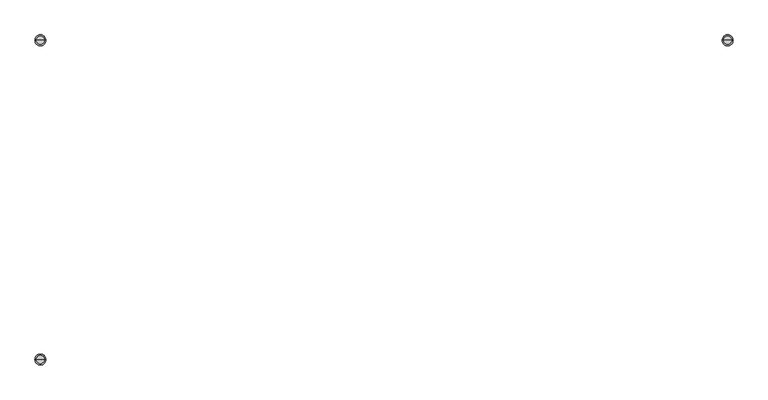
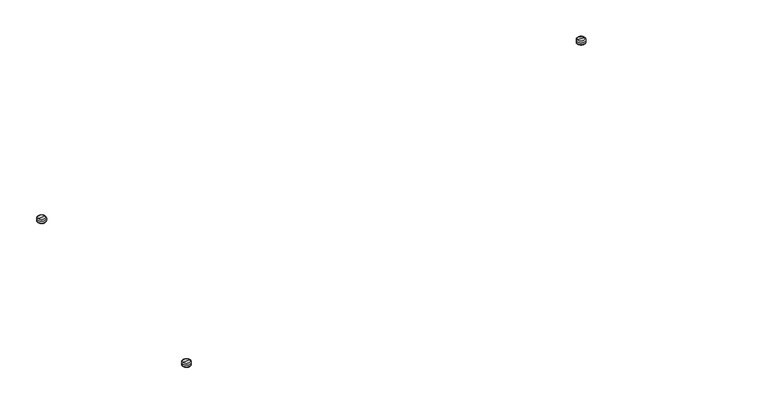
"""IFC4 building model written with IfcOpenShell, lengths in millimetres: furniture geometry."""

from ifc_helpers import new_model, si_unit, point, frame, origin, place, context, project, spatial, circle_curve, ellipse_curve, trimmed, source, transform, mapped, element, save
from ifc_brep_helpers import plane_surface, cylinder_surface, revolved_surface, advanced_brep


def furniture_f5563ff2(model_context):
    return source(origin(), model_context, "Body", "AdvancedBrep", [
        advanced_brep(
        [(-612.7826546, -332.5826887, 9.525), (-605.4760884, -332.5826887, 9.525), (-620.0892207, -332.5826887, 9.525), (-603.0620996, -332.5826887, 7.1110112), (-622.5032095, -332.5826887, 7.1110112), (-603.0620996, -332.5826887, 2.54), (-622.5032095, -332.5826887, 2.54), (-605.6020996, -332.5826887, 0.0), (-619.9632095, -332.5826887, 0.0), (-612.7826546, -332.5826887, 0.0)],
        [
            (0, 1),
            (1, 2, circle_curve(frame((-612.7826546, -332.5826887, 9.525), z_axis=(0.0, 0.0, 1.0), x_axis=(-1.0, 0.0, 0.0)), 7.3065662)),
            (2, 0),
            (2, 1, circle_curve(frame((-612.7826546, -332.5826887, 9.525), z_axis=(0.0, 0.0, 1.0), x_axis=(-1.0, 0.0, 0.0)), 7.3065662)),
            (1, 3, circle_curve(frame((-605.4760884, -332.5826887, 7.1110112), z_axis=(0.0, 1.0, 0.0), x_axis=(-1.0, 0.0, 0.0)), 2.4139888)),
            (3, 4, circle_curve(frame((-612.7826546, -332.5826887, 7.1110112), z_axis=(0.0, 0.0, 1.0), x_axis=(-1.0, 0.0, 0.0)), 9.7205549)),
            (4, 2, circle_curve(frame((-620.0892207, -332.5826887, 7.1110112), z_axis=(0.0, 1.0, 0.0), x_axis=(1.0, 0.0, 0.0)), 2.4139888)),
            (4, 3, circle_curve(frame((-612.7826546, -332.5826887, 7.1110112), z_axis=(0.0, 0.0, 1.0), x_axis=(-1.0, 0.0, 0.0)), 9.7205549)),
            (3, 5),
            (5, 6, circle_curve(frame((-612.7826546, -332.5826887, 2.54), z_axis=(0.0, 0.0, 1.0), x_axis=(-1.0, 0.0, 0.0)), 9.7205549)),
            (6, 4),
            (6, 5, circle_curve(frame((-612.7826546, -332.5826887, 2.54), z_axis=(0.0, 0.0, 1.0), x_axis=(-1.0, 0.0, 0.0)), 9.7205549)),
            (5, 7, circle_curve(frame((-605.6020996, -332.5826887, 2.54), z_axis=(0.0, 1.0, 0.0), x_axis=(-1.0, 0.0, 0.0)), 2.54)),
            (7, 8, circle_curve(frame((-612.7826546, -332.5826887, 0.0), z_axis=(0.0, 0.0, 1.0), x_axis=(-1.0, 0.0, 0.0)), 7.1805549)),
            (8, 6, circle_curve(frame((-619.9632095, -332.5826887, 2.54), z_axis=(0.0, 1.0, 0.0), x_axis=(1.0, 0.0, 0.0)), 2.54)),
            (8, 7, circle_curve(frame((-612.7826546, -332.5826887, 0.0), z_axis=(0.0, 0.0, 1.0), x_axis=(-1.0, 0.0, 0.0)), 7.1805549)),
            (7, 9),
            (9, 8),
        ],
        [
            plane_surface(frame((-612.7826546, -332.5826887, 9.525), z_axis=(0.0, 0.0, 1.0), x_axis=(-1.0, 0.0, 0.0))),
            revolved_surface(trimmed(ellipse_curve(frame((-620.0892207, -332.5826887, 7.1110112), z_axis=(0.0, 1.0, 0.0), x_axis=(1.0, 0.0, 0.0)), 2.4139888, 2.4139888), [point((-622.5032095, -332.5826887, 7.1110112))], [point((-620.0892207, -332.5826887, 9.525))], True, "CARTESIAN"), (-612.7826546, -332.5826887, 9.3770739), (0.0, 0.0, 1.0)),
            cylinder_surface(frame((-612.7826546, -332.5826887, 9.3770739), z_axis=(0.0, 0.0, 1.0), x_axis=(-1.0, 0.0, 0.0)), 9.7205549),
            revolved_surface(trimmed(ellipse_curve(frame((-619.9632095, -332.5826887, 2.54), z_axis=(0.0, 1.0, 0.0), x_axis=(1.0, 0.0, 0.0)), 2.54, 2.54), [point((-619.9632095, -332.5826887, 0.0))], [point((-622.5032095, -332.5826887, 2.54))], True, "CARTESIAN"), (-612.7826546, -332.5826887, 9.3770739), (0.0, 0.0, 1.0)),
            plane_surface(frame((-612.7826546, -332.5826887, 0.0), z_axis=(0.0, 0.0, -1.0), x_axis=(-1.0, 0.0, 0.0))),
        ],
        [
            (0, [[1, 2, 3]]),
            (0, [[-3, 4, -1]]),
            (1, [[5, 6, 7, -2]]),
            (1, [[-7, 8, -5, -4]]),
            (2, [[9, 10, 11, -6]]),
            (2, [[-11, 12, -9, -8]]),
            (3, [[13, 14, 15, -10]]),
            (3, [[-15, 16, -13, -12]]),
            (4, [[17, 18, -14]]),
            (4, [[-18, -17, -16]]),
        ],
    ),
        advanced_brep(
        [(612.7826546, 237.3326887, 9.525), (605.4760884, 237.3326887, 9.525), (620.0892207, 237.3326887, 9.525), (603.0620996, 237.3326887, 7.1110112), (622.5032095, 237.3326887, 7.1110112), (603.0620996, 237.3326887, 2.54), (622.5032095, 237.3326887, 2.54), (605.6020996, 237.3326887, 0.0), (619.9632095, 237.3326887, 0.0), (612.7826546, 237.3326887, 0.0)],
        [
            (0, 1),
            (1, 2, circle_curve(frame((612.7826546, 237.3326887, 9.525), z_axis=(0.0, 0.0, 1.0), x_axis=(1.0, 0.0, 0.0)), 7.3065662)),
            (2, 0),
            (2, 1, circle_curve(frame((612.7826546, 237.3326887, 9.525), z_axis=(0.0, 0.0, 1.0), x_axis=(1.0, 0.0, 0.0)), 7.3065662)),
            (1, 3, circle_curve(frame((605.4760884, 237.3326887, 7.1110112), z_axis=(0.0, -1.0, 0.0), x_axis=(1.0, 0.0, 0.0)), 2.4139888)),
            (3, 4, circle_curve(frame((612.7826546, 237.3326887, 7.1110112), z_axis=(0.0, 0.0, 1.0), x_axis=(1.0, 0.0, 0.0)), 9.7205549)),
            (4, 2, circle_curve(frame((620.0892207, 237.3326887, 7.1110112), z_axis=(0.0, -1.0, 0.0), x_axis=(-1.0, 0.0, 0.0)), 2.4139888)),
            (4, 3, circle_curve(frame((612.7826546, 237.3326887, 7.1110112), z_axis=(0.0, 0.0, 1.0), x_axis=(1.0, 0.0, 0.0)), 9.7205549)),
            (3, 5),
            (5, 6, circle_curve(frame((612.7826546, 237.3326887, 2.54), z_axis=(0.0, 0.0, 1.0), x_axis=(1.0, 0.0, 0.0)), 9.7205549)),
            (6, 4),
            (6, 5, circle_curve(frame((612.7826546, 237.3326887, 2.54), z_axis=(0.0, 0.0, 1.0), x_axis=(1.0, 0.0, 0.0)), 9.7205549)),
            (5, 7, circle_curve(frame((605.6020996, 237.3326887, 2.54), z_axis=(0.0, -1.0, 0.0), x_axis=(1.0, 0.0, 0.0)), 2.54)),
            (7, 8, circle_curve(frame((612.7826546, 237.3326887, 0.0), z_axis=(0.0, 0.0, 1.0), x_axis=(1.0, 0.0, 0.0)), 7.1805549)),
            (8, 6, circle_curve(frame((619.9632095, 237.3326887, 2.54), z_axis=(0.0, -1.0, 0.0), x_axis=(-1.0, 0.0, 0.0)), 2.54)),
            (8, 7, circle_curve(frame((612.7826546, 237.3326887, 0.0), z_axis=(0.0, 0.0, 1.0), x_axis=(1.0, 0.0, 0.0)), 7.1805549)),
            (7, 9),
            (9, 8),
        ],
        [
            plane_surface(frame((612.7826546, 237.3326887, 9.525), z_axis=(0.0, 0.0, 1.0), x_axis=(1.0, 0.0, 0.0))),
            revolved_surface(trimmed(ellipse_curve(frame((620.0892207, 237.3326887, 7.1110112), z_axis=(0.0, -1.0, 0.0), x_axis=(-1.0, 0.0, 0.0)), 2.4139888, 2.4139888), [point((622.5032095, 237.3326887, 7.1110112))], [point((620.0892207, 237.3326887, 9.525))], True, "CARTESIAN"), (612.7826546, 237.3326887, 9.3770739), (0.0, 0.0, 1.0)),
            cylinder_surface(frame((612.7826546, 237.3326887, 9.3770739), z_axis=(0.0, 0.0, 1.0), x_axis=(1.0, 0.0, 0.0)), 9.7205549),
            revolved_surface(trimmed(ellipse_curve(frame((619.9632095, 237.3326887, 2.54), z_axis=(0.0, -1.0, 0.0), x_axis=(-1.0, 0.0, 0.0)), 2.54, 2.54), [point((619.9632095, 237.3326887, 0.0))], [point((622.5032095, 237.3326887, 2.54))], True, "CARTESIAN"), (612.7826546, 237.3326887, 9.3770739), (0.0, 0.0, 1.0)),
            plane_surface(frame((612.7826546, 237.3326887, 0.0), z_axis=(0.0, 0.0, -1.0), x_axis=(1.0, 0.0, 0.0))),
        ],
        [
            (0, [[1, 2, 3]]),
            (0, [[-3, 4, -1]]),
            (1, [[5, 6, 7, -2]]),
            (1, [[-7, 8, -5, -4]]),
            (2, [[9, 10, 11, -6]]),
            (2, [[-11, 12, -9, -8]]),
            (3, [[13, 14, 15, -10]]),
            (3, [[-15, 16, -13, -12]]),
            (4, [[17, 18, -14]]),
            (4, [[-18, -17, -16]]),
        ],
    ),
        advanced_brep(
        [(-605.4760884, 237.3326887, 9.525), (-612.7826546, 237.3326887, 9.525), (-620.0892207, 237.3326887, 9.525), (-603.0620996, 237.3326887, 7.1110112), (-622.5032095, 237.3326887, 7.1110112), (-603.0620996, 237.3326887, 2.54), (-622.5032095, 237.3326887, 2.54), (-605.6020996, 237.3326887, 0.0), (-619.9632095, 237.3326887, 0.0), (-612.7826546, 237.3326887, 0.0)],
        [
            (0, 1),
            (1, 2),
            (2, 0, circle_curve(frame((-612.7826546, 237.3326887, 9.525), z_axis=(0.0, 0.0, 1.0), x_axis=(-1.0, 0.0, 0.0)), 7.3065662)),
            (0, 2, circle_curve(frame((-612.7826546, 237.3326887, 9.525), z_axis=(0.0, 0.0, 1.0), x_axis=(-1.0, 0.0, 0.0)), 7.3065662)),
            (3, 0, circle_curve(frame((-605.4760884, 237.3326887, 7.1110112), z_axis=(0.0, -1.0, 0.0), x_axis=(-1.0, 0.0, 0.0)), 2.4139888)),
            (2, 4, circle_curve(frame((-620.0892207, 237.3326887, 7.1110112), z_axis=(0.0, -1.0, 0.0), x_axis=(1.0, 0.0, 0.0)), 2.4139888)),
            (4, 3, circle_curve(frame((-612.7826546, 237.3326887, 7.1110112), z_axis=(0.0, 0.0, 1.0), x_axis=(-1.0, 0.0, 0.0)), 9.7205549)),
            (3, 4, circle_curve(frame((-612.7826546, 237.3326887, 7.1110112), z_axis=(0.0, 0.0, 1.0), x_axis=(-1.0, 0.0, 0.0)), 9.7205549)),
            (5, 3),
            (4, 6),
            (6, 5, circle_curve(frame((-612.7826546, 237.3326887, 2.54), z_axis=(0.0, 0.0, 1.0), x_axis=(-1.0, 0.0, 0.0)), 9.7205549)),
            (5, 6, circle_curve(frame((-612.7826546, 237.3326887, 2.54), z_axis=(0.0, 0.0, 1.0), x_axis=(-1.0, 0.0, 0.0)), 9.7205549)),
            (7, 5, circle_curve(frame((-605.6020996, 237.3326887, 2.54), z_axis=(0.0, -1.0, 0.0), x_axis=(-1.0, 0.0, 0.0)), 2.54)),
            (6, 8, circle_curve(frame((-619.9632095, 237.3326887, 2.54), z_axis=(0.0, -1.0, 0.0), x_axis=(1.0, 0.0, 0.0)), 2.54)),
            (8, 7, circle_curve(frame((-612.7826546, 237.3326887, 0.0), z_axis=(0.0, 0.0, 1.0), x_axis=(-1.0, 0.0, 0.0)), 7.1805549)),
            (7, 8, circle_curve(frame((-612.7826546, 237.3326887, 0.0), z_axis=(0.0, 0.0, 1.0), x_axis=(-1.0, 0.0, 0.0)), 7.1805549)),
            (9, 7),
            (8, 9),
        ],
        [
            plane_surface(frame((-612.7826546, 237.3326887, 9.525), z_axis=(0.0, 0.0, 1.0), x_axis=(-1.0, 0.0, 0.0))),
            revolved_surface(trimmed(ellipse_curve(frame((-620.0892207, 237.3326887, 7.1110112), z_axis=(0.0, -1.0, 0.0), x_axis=(1.0, 0.0, 0.0)), 2.4139888, 2.4139888), [point((-620.0892207, 237.3326887, 9.525))], [point((-622.5032095, 237.3326887, 7.1110112))], True, "CARTESIAN"), (-612.7826546, 237.3326887, 9.3770739), (0.0, 0.0, -1.0)),
            cylinder_surface(frame((-612.7826546, 237.3326887, 9.3770739), z_axis=(0.0, 0.0, -1.0), x_axis=(-1.0, 0.0, 0.0)), 9.7205549),
            revolved_surface(trimmed(ellipse_curve(frame((-619.9632095, 237.3326887, 2.54), z_axis=(0.0, -1.0, 0.0), x_axis=(1.0, 0.0, 0.0)), 2.54, 2.54), [point((-622.5032095, 237.3326887, 2.54))], [point((-619.9632095, 237.3326887, 0.0))], True, "CARTESIAN"), (-612.7826546, 237.3326887, 9.3770739), (0.0, 0.0, -1.0)),
            plane_surface(frame((-612.7826546, 237.3326887, 0.0), z_axis=(0.0, 0.0, -1.0), x_axis=(-1.0, 0.0, 0.0))),
        ],
        [
            (0, [[1, 2, 3]]),
            (0, [[-2, -1, 4]]),
            (1, [[5, -3, 6, 7]]),
            (1, [[-6, -4, -5, 8]]),
            (2, [[9, -7, 10, 11]]),
            (2, [[-10, -8, -9, 12]]),
            (3, [[13, -11, 14, 15]]),
            (3, [[-14, -12, -13, 16]]),
            (4, [[17, -15, 18]]),
            (4, [[-18, -16, -17]]),
        ],
    ),
    ])


if __name__ == "__main__":
    model = new_model("IFC4")
    model_context = context("Model", 3, world=origin())
    ifc_project = project(units=[si_unit("LENGTHUNIT", "METRE", prefix="MILLI")], contexts=[model_context])
    site = spatial("IfcSite", under=ifc_project)
    building = spatial("IfcBuilding", under=site)
    placement = place(None, origin())
    furniture_shape = furniture_f5563ff2(model_context)
    element("IfcFurniture", 1, at=placement, inside=building, context=model_context, shape_type="MappedRepresentation", body=[
        mapped(furniture_shape, transform((0.0, 0.0, 0.0), x_axis=(1.0, 0.0, 0.0), y_axis=(0.0, 1.0, 0.0), z_axis=(0.0, 0.0, 1.0))),
    ])
    save(model, "model.ifc")
